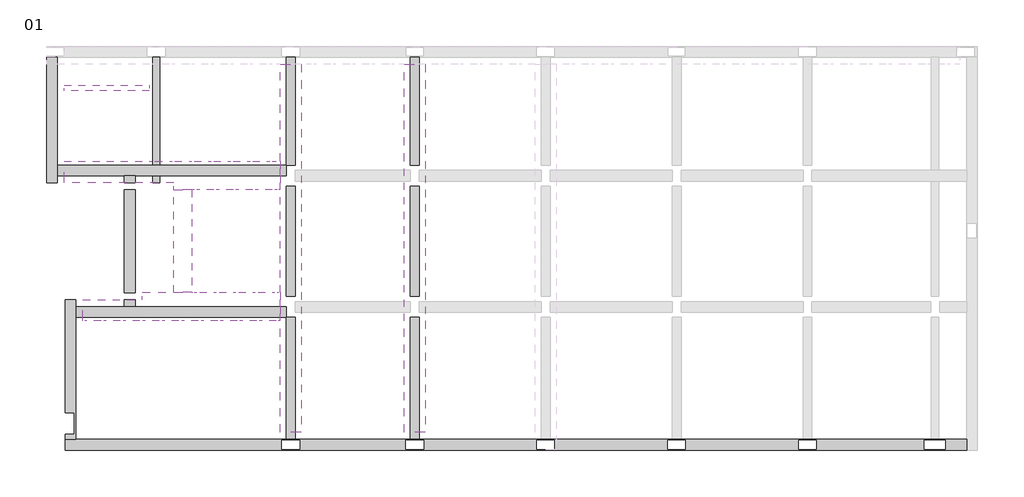
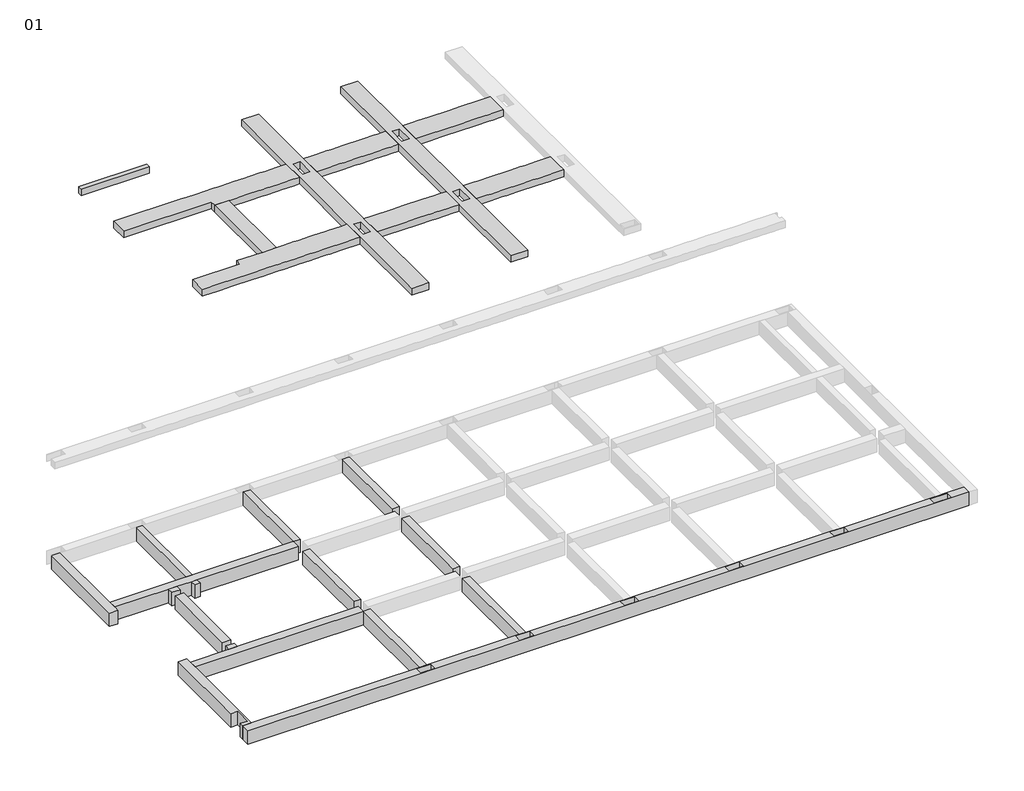
# One storey, part 1 of 2: 15 beams.
"""IFC4 building model written with IfcOpenShell, lengths in millimetres."""

from ifc_helpers import new_model, si_unit, frame, origin, place, context, project, spatial, polyline, outline, extrude, faceted_brep, element, save

model = new_model("IFC4")

# Units and contexts
model_context = context("Model", 3, world=origin())
ifc_project = project(units=[si_unit("LENGTHUNIT", "METRE", prefix="MILLI")], contexts=[model_context])

# Site, building, storey
site = spatial("IfcSite", under=ifc_project)
building = spatial("IfcBuilding", under=site)
storey = spatial("IfcBuildingStorey", under=building, Name="01", Elevation=-150.0)

# Beams
placement = place(None, origin())
element("IfcBeam", 1, ObjectType="B 150 x 250 mm", at=placement, inside=storey, context=model_context, shape_type="SweptSolid", body=[
    extrude(outline(polyline([(250.0, -1096.893934), (250.0, -946.893934), (2650.0, -946.893934), (2650.0, -1096.893934), (250.0, -1096.893934)])), frame((0.0, 0.0, 13700.0), z_axis=(0.0, 0.0, 1.0), x_axis=(1.0, 0.0, 0.0)), (0.0, 0.0, 1.0), 250.0),
])
element("IfcBeam", 2, ObjectType="B1 300 x 500 mm", at=placement, inside=storey, context=model_context, shape_type="Brep", body=[
    faceted_brep([(25750.0000727, -11246.893934, -150.0), (25750.0000727, -10946.893934, -150.0), (24950.0, -10946.893934, -150.0), (24750.0, -10946.893934, -150.0), (21375.0390798, -10946.893934, -150.0), (21125.0390798, -10946.893934, -150.0), (17675.0390798, -10946.893934, -150.0), (17425.0390798, -10946.893934, -150.0), (13975.0390798, -10946.893934, -150.0), (13725.0390798, -10946.893934, -150.0), (10275.0390798, -10946.893934, -150.0), (10025.0390798, -10946.893934, -150.0), (6775.0390798, -10946.893934, -150.0), (6525.0390798, -10946.893934, -150.0), (577.7588387, -10946.893934, -150.0), (277.7588387, -10946.893934, -150.0), (277.7588387, -11246.893934, -150.0), (25146.5, -11220.893934, -150.0), (24546.5, -11220.893934, -150.0), (24546.5, -10970.893934, -150.0), (25146.5, -10970.893934, -150.0), (21500.0390798, -10971.8939341, -150.0), (21500.0390798, -11221.8939341, -150.0), (21000.0390798, -11221.8939341, -150.0), (21000.0390798, -10971.8939341, -150.0), (17800.0390798, -10971.8939341, -150.0), (17800.0390798, -11221.8939341, -150.0), (17300.0390798, -11221.8939341, -150.0), (17300.0390798, -10971.8939341, -150.0), (14100.0390798, -10971.8939341, -150.0), (14100.0390798, -11221.8939341, -150.0), (13600.0390798, -11221.8939341, -150.0), (13600.0390798, -10971.8939341, -150.0), (10400.0390798, -10971.8939341, -150.0), (10400.0390798, -11221.8939341, -150.0), (9900.0390798, -11221.8939341, -150.0), (9900.0390798, -10971.8939341, -150.0), (6900.0390798, -10971.8939341, -150.0), (6900.0390798, -11221.8939341, -150.0), (6400.0390798, -11221.8939341, -150.0), (6400.0390798, -10971.8939341, -150.0), (25750.0000727, -10946.893934, -650.0), (24950.0, -10946.893934, -650.0), (24750.0, -10946.893934, -650.0), (21375.0390798, -10946.893934, -650.0), (21125.0390798, -10946.893934, -650.0), (17675.0390798, -10946.893934, -650.0), (17425.0390798, -10946.893934, -650.0), (13975.0390798, -10946.893934, -650.0), (13725.0390798, -10946.893934, -650.0), (10275.0390798, -10946.893934, -650.0), (10025.0390798, -10946.893934, -650.0), (6775.0390798, -10946.893934, -650.0), (6525.0390798, -10946.893934, -650.0), (577.7588387, -10946.893934, -650.0), (277.7588387, -10946.893934, -650.0), (25750.0000727, -11246.893934, -650.0), (277.7588387, -11246.893934, -650.0), (24546.5, -11220.893934, -650.0), (25146.5, -11220.893934, -650.0), (25146.5, -10970.893934, -650.0), (24546.5, -10970.893934, -650.0), (21500.0390798, -11221.8939341, -650.0), (21500.0390798, -10971.8939341, -650.0), (21000.0390798, -10971.8939341, -650.0), (21000.0390798, -11221.8939341, -650.0), (17800.0390798, -11221.8939341, -650.0), (17800.0390798, -10971.8939341, -650.0), (17300.0390798, -10971.8939341, -650.0), (17300.0390798, -11221.8939341, -650.0), (14100.0390798, -11221.8939341, -650.0), (14100.0390798, -10971.8939341, -650.0), (13600.0390798, -10971.8939341, -650.0), (13600.0390798, -11221.8939341, -650.0), (10400.0390798, -11221.8939341, -650.0), (10400.0390798, -10971.8939341, -650.0), (9900.0390798, -10971.8939341, -650.0), (9900.0390798, -11221.8939341, -650.0), (6900.0390798, -11221.8939341, -650.0), (6900.0390798, -10971.8939341, -650.0), (6400.0390798, -10971.8939341, -650.0), (6400.0390798, -11221.8939341, -650.0)], [[[0, 1, 2, 3, 4, 5, 6, 7, 8, 9, 10, 11, 12, 13, 14, 15, 16], [17, 18, 19, 20], [21, 22, 23, 24], [25, 26, 27, 28], [29, 30, 31, 32], [33, 34, 35, 36], [37, 38, 39, 40]], [[1, 41, 42, 43, 44, 45, 46, 47, 48, 49, 50, 51, 52, 53, 54, 55, 15, 14, 13, 12, 11, 10, 9, 8, 7, 6, 5, 4, 3, 2]], [[41, 56, 57, 55, 54, 53, 52, 51, 50, 49, 48, 47, 46, 45, 44, 43, 42], [58, 59, 60, 61], [62, 63, 64, 65], [66, 67, 68, 69], [70, 71, 72, 73], [74, 75, 76, 77], [78, 79, 80, 81]], [[56, 0, 16, 57]], [[17, 59, 58, 18]], [[59, 17, 20, 60]], [[60, 20, 19, 61]], [[1, 0, 56, 41]], [[18, 58, 61, 19]], [[62, 22, 21, 63]], [[63, 21, 24, 64]], [[22, 62, 65, 23]], [[23, 65, 64, 24]], [[66, 26, 25, 67]], [[67, 25, 28, 68]], [[26, 66, 69, 27]], [[27, 69, 68, 28]], [[70, 30, 29, 71]], [[71, 29, 32, 72]], [[30, 70, 73, 31]], [[31, 73, 72, 32]], [[74, 34, 33, 75]], [[75, 33, 36, 76]], [[34, 74, 77, 35]], [[35, 77, 76, 36]], [[78, 38, 37, 79]], [[79, 37, 40, 80]], [[38, 78, 81, 39]], [[39, 81, 80, 40]], [[16, 15, 55, 57]]]),
])
element("IfcBeam", 3, ObjectType="B1 300 x 500 mm", at=placement, inside=storey, context=model_context, shape_type="Brep", body=[
    faceted_brep([(527.7588387, -10796.893934, -150.0), (277.7588387, -10796.893934, -150.0), (277.7588387, -10946.893934, -150.0), (577.7588387, -10946.893934, -150.0), (577.7588387, -7496.8939341, -150.0), (577.7588387, -7196.8939341, -150.0), (577.7588387, -6996.8939341, -150.0), (277.7588387, -6996.8939341, -150.0), (277.7588387, -10196.893934, -150.0), (527.7588387, -10196.893934, -150.0), (577.7588387, -10946.893934, -650.0), (577.7588387, -7496.8939341, -650.0), (577.7588387, -7196.8939341, -650.0), (577.7588387, -6996.8939341, -650.0), (277.7588387, -10796.893934, -650.0), (527.7588387, -10796.893934, -650.0), (527.7588387, -10196.893934, -650.0), (277.7588387, -10196.893934, -650.0), (277.7588387, -6996.8939341, -650.0), (277.7588387, -10946.893934, -650.0)], [[[0, 1, 2, 3, 4, 5, 6, 7, 8, 9]], [[3, 10, 11, 12, 13, 6, 5, 4]], [[14, 15, 16, 17, 18, 13, 12, 11, 10, 19]], [[17, 8, 7, 18]], [[0, 15, 14, 1]], [[15, 0, 9, 16]], [[3, 2, 19, 10]], [[16, 9, 8, 17]], [[1, 14, 19, 2]], [[7, 6, 13, 18]]]),
])
element("IfcBeam", 4, ObjectType="B1 300 x 500 mm", at=placement, inside=storey, context=model_context, shape_type="Brep", body=[
    faceted_brep([(577.7588387, -7496.8939341, -150.0), (577.7588387, -7196.8939341, -150.0), (577.7588387, -7196.8939341, -650.0), (577.7588387, -7496.8939341, -650.0), (6525.0390798, -7496.8939341, -150.0), (6525.0390798, -7196.8939341, -150.0), (2250.0, -7196.8939341, -150.0), (1950.0, -7196.8939341, -150.0), (6525.0390798, -7196.8939341, -650.0), (2250.0, -7196.8939341, -650.0), (1950.0, -7196.8939341, -650.0), (6525.0390798, -7496.8939341, -650.0)], [[[0, 1, 2, 3]], [[1, 0, 4, 5, 6, 7]], [[2, 1, 7, 6, 5, 8, 9, 10]], [[3, 2, 10, 9, 8, 11]], [[0, 3, 11, 4]], [[4, 11, 8, 5]]]),
])
element("IfcBeam", 5, ObjectType="B1 300 x 500 mm", at=placement, inside=storey, context=model_context, shape_type="Brep", body=[
    faceted_brep([(6525.0390798, -3496.893934, -150.0), (6525.0390798, -3196.893934, -150.0), (2953.7850434, -3196.893934, -150.0), (2753.7850434, -3196.893934, -150.0), (50.0, -3196.893934, -150.0), (50.0, -3496.893934, -150.0), (1950.0, -3496.893934, -150.0), (2250.0, -3496.893934, -150.0), (2753.7850434, -3496.893934, -150.0), (2953.7850434, -3496.893934, -150.0), (6525.0390798, -3196.893934, -650.0), (2953.7850434, -3196.893934, -650.0), (2753.7850434, -3196.893934, -650.0), (50.0, -3196.893934, -650.0), (6525.0390798, -3496.893934, -650.0), (2953.7850434, -3496.893934, -650.0), (2753.7850434, -3496.893934, -650.0), (2250.0, -3496.893934, -650.0), (1950.0, -3496.893934, -650.0), (50.0, -3496.893934, -650.0)], [[[0, 1, 2, 3, 4, 5, 6, 7, 8, 9]], [[1, 10, 11, 12, 13, 4, 3, 2]], [[10, 14, 15, 16, 17, 18, 19, 13, 12, 11]], [[14, 0, 9, 8, 7, 6, 5, 19, 18, 17, 16, 15]], [[0, 14, 10, 1]], [[5, 4, 13, 19]]]),
])
element("IfcBeam", 6, ObjectType="B1 300 x 500 mm", at=placement, inside=storey, context=model_context, shape_type="Brep", body=[
    faceted_brep([(50.0, -146.893934, -150.0), (-250.0, -146.893934, -150.0), (-250.0, -3696.893934, -150.0), (50.0, -3696.893934, -150.0), (50.0, -3496.893934, -150.0), (50.0, -3196.893934, -150.0), (50.0, -146.893934, -650.0), (50.0, -3696.893934, -650.0), (50.0, -3496.893934, -650.0), (50.0, -3196.893934, -650.0), (-250.0, -146.893934, -650.0), (-250.0, -3696.893934, -650.0)], [[[0, 1, 2, 3, 4, 5]], [[6, 0, 5, 4, 3, 7, 8, 9]], [[10, 6, 9, 8, 7, 11]], [[1, 10, 11, 2]], [[1, 0, 6, 10]], [[3, 2, 11, 7]]]),
])
element("IfcBeam", 7, ObjectType="B1 300 x 500 mm", at=placement, inside=storey, context=model_context, shape_type="SweptSolid", body=[
    extrude(outline(polyline([(2250.0, -7196.8939341), (1950.0, -7196.8939341), (1950.0, -6996.8939341), (2250.0, -6996.8939341), (2250.0, -7196.8939341)])), frame((0.0, 0.0, -650.0), z_axis=(0.0, 0.0, 1.0), x_axis=(1.0, 0.0, 0.0)), (0.0, 0.0, 1.0), 500.0),
    extrude(outline(polyline([(2250.0, -3696.893934), (1950.0, -3696.893934), (1950.0, -3496.893934), (2250.0, -3496.893934), (2250.0, -3696.893934)])), frame((0.0, 0.0, -650.0), z_axis=(0.0, 0.0, 1.0), x_axis=(1.0, 0.0, 0.0)), (0.0, 0.0, 1.0), 500.0),
    extrude(outline(polyline([(1950.0, -3896.893934), (2250.0, -3896.893934), (2250.0, -6796.8939341), (1950.0, -6796.8939341), (1950.0, -3896.893934)])), frame((0.0, 0.0, -650.0), z_axis=(0.0, 0.0, 1.0), x_axis=(1.0, 0.0, 0.0)), (0.0, 0.0, 1.0), 500.0),
])
element("IfcBeam", 8, ObjectType="B2 250 x 500 mm", at=placement, inside=storey, context=model_context, shape_type="SweptSolid", body=[
    extrude(outline(polyline([(10275.0390798, -3195.451857), (10025.0390798, -3195.451857), (10025.0390798, -146.893934), (10275.0390798, -146.893934), (10275.0390798, -3195.451857)])), frame((0.0, 0.0, -650.0), z_axis=(0.0, 0.0, 1.0), x_axis=(1.0, 0.0, 0.0)), (0.0, 0.0, 1.0), 500.0),
    extrude(outline(polyline([(10275.0390798, -10946.8939341), (10025.0390798, -10946.8939341), (10025.0390798, -7496.8939341), (10275.0390798, -7496.8939341), (10275.0390798, -10946.8939341)])), frame((0.0, 0.0, -650.0), z_axis=(0.0, 0.0, 1.0), x_axis=(1.0, 0.0, 0.0)), (0.0, 0.0, 1.0), 500.0),
    extrude(outline(polyline([(10275.0390798, -6896.8939341), (10025.0390798, -6896.8939341), (10025.0390798, -3795.451857), (10275.0390798, -3795.451857), (10275.0390798, -6896.8939341)])), frame((0.0, 0.0, -650.0), z_axis=(0.0, 0.0, 1.0), x_axis=(1.0, 0.0, 0.0)), (0.0, 0.0, 1.0), 500.0),
])
element("IfcBeam", 9, ObjectType="B2 250 x 500 mm", at=placement, inside=storey, context=model_context, shape_type="SweptSolid", body=[
    extrude(outline(polyline([(6525.0390798, -146.893934), (6775.0390798, -146.893934), (6775.0390798, -3196.893934), (6525.0390798, -3196.893934), (6525.0390798, -146.893934)])), frame((0.0, 0.0, -650.0), z_axis=(0.0, 0.0, 1.0), x_axis=(1.0, 0.0, 0.0)), (0.0, 0.0, 1.0), 500.0),
    extrude(outline(polyline([(6775.0390798, -10946.893934), (6525.0390798, -10946.893934), (6525.0390798, -7496.8939341), (6775.0390798, -7496.8939341), (6775.0390798, -10946.893934)])), frame((0.0, 0.0, -650.0), z_axis=(0.0, 0.0, 1.0), x_axis=(1.0, 0.0, 0.0)), (0.0, 0.0, 1.0), 500.0),
    extrude(outline(polyline([(6525.0390798, -3796.893934), (6775.0390798, -3796.893934), (6775.0390798, -6896.8939341), (6525.0390798, -6896.8939341), (6525.0390798, -3796.893934)])), frame((0.0, 0.0, -650.0), z_axis=(0.0, 0.0, 1.0), x_axis=(1.0, 0.0, 0.0)), (0.0, 0.0, 1.0), 500.0),
])
element("IfcBeam", 10, ObjectType="B3 200 x 500 mm 2", at=placement, inside=storey, context=model_context, shape_type="SweptSolid", body=[
    extrude(outline(polyline([(2753.7850434, -146.893934), (2953.7850434, -146.893934), (2953.7850434, -3196.893934), (2753.7850434, -3196.893934), (2753.7850434, -146.893934)])), frame((0.0, 0.0, -650.0), z_axis=(0.0, 0.0, 1.0), x_axis=(1.0, 0.0, 0.0)), (0.0, 0.0, 1.0), 500.0),
    extrude(outline(polyline([(2753.7850434, -3496.893934), (2953.7850434, -3496.893934), (2953.7850434, -3696.893934), (2753.7850434, -3696.893934), (2753.7850434, -3496.893934)])), frame((0.0, 0.0, -650.0), z_axis=(0.0, 0.0, 1.0), x_axis=(1.0, 0.0, 0.0)), (0.0, 0.0, 1.0), 500.0),
])
element("IfcBeam", 11, ObjectType="B4 800 x 250 mm", at=placement, inside=storey, context=model_context, shape_type="Brep", body=[
    faceted_brep([(13550.0390798, -3895.451857, 13950.0), (13550.0390798, -3895.451857, 13700.0), (13550.0390798, -3095.451857, 13700.0), (13550.0390798, -3095.451857, 13950.0), (10450.0390798, -3895.451857, 13950.0), (10450.0390798, -3095.451857, 13950.0), (10450.0390798, -3095.451857, 13700.0), (10450.0390798, -3895.451857, 13700.0), (13175.0390798, -3095.451857, 13950.0), (13025.0390798, -3095.451857, 13950.0), (12625.0390798, -3095.451857, 13950.0), (12475.0390798, -3095.451857, 13950.0), (12075.0390798, -3095.451857, 13950.0), (11925.0390798, -3095.451857, 13950.0), (11525.0390798, -3095.451857, 13950.0), (11375.0390798, -3095.451857, 13950.0), (10975.0390798, -3095.451857, 13950.0), (10825.0390798, -3095.451857, 13950.0), (10825.0390798, -3895.451857, 13950.0), (10975.0390798, -3895.451857, 13950.0), (11375.0390798, -3895.451857, 13950.0), (11525.0390798, -3895.451857, 13950.0), (11925.0390798, -3895.451857, 13950.0), (12075.0390798, -3895.451857, 13950.0), (12475.0390798, -3895.451857, 13950.0), (12625.0390798, -3895.451857, 13950.0), (13025.0390798, -3895.451857, 13950.0), (13175.0390798, -3895.451857, 13950.0), (13175.0390798, -3095.451857, 13700.0), (13025.0390798, -3095.451857, 13700.0), (12625.0390798, -3095.451857, 13700.0), (12475.0390798, -3095.451857, 13700.0), (12075.0390798, -3095.451857, 13700.0), (11925.0390798, -3095.451857, 13700.0), (11525.0390798, -3095.451857, 13700.0), (11375.0390798, -3095.451857, 13700.0), (10975.0390798, -3095.451857, 13700.0), (10825.0390798, -3095.451857, 13700.0), (13175.0390798, -3895.451857, 13700.0), (13025.0390798, -3895.451857, 13700.0), (12625.0390798, -3895.451857, 13700.0), (12475.0390798, -3895.451857, 13700.0), (12075.0390798, -3895.451857, 13700.0), (11925.0390798, -3895.451857, 13700.0), (11525.0390798, -3895.451857, 13700.0), (11375.0390798, -3895.451857, 13700.0), (10975.0390798, -3895.451857, 13700.0), (10825.0390798, -3895.451857, 13700.0)], [[[0, 1, 2, 3]], [[4, 5, 6, 7]], [[0, 3, 8, 9, 10, 11, 12, 13, 14, 15, 16, 17, 5, 4, 18, 19, 20, 21, 22, 23, 24, 25, 26, 27]], [[3, 2, 28, 29, 30, 31, 32, 33, 34, 35, 36, 37, 6, 5, 17, 16, 15, 14, 13, 12, 11, 10, 9, 8]], [[2, 1, 38, 39, 40, 41, 42, 43, 44, 45, 46, 47, 7, 6, 37, 36, 35, 34, 33, 32, 31, 30, 29, 28]], [[1, 0, 27, 26, 25, 24, 23, 22, 21, 20, 19, 18, 4, 7, 47, 46, 45, 44, 43, 42, 41, 40, 39, 38]]]),
    faceted_brep([(6350.0390798, -3895.451857, 13950.0), (6350.0390798, -3095.451857, 13950.0), (6125.0195399, -3095.451857, 13950.0), (5975.0195399, -3095.451857, 13950.0), (5575.0195399, -3095.451857, 13950.0), (5425.0195399, -3095.451857, 13950.0), (5025.0195399, -3095.451857, 13950.0), (4875.0195399, -3095.451857, 13950.0), (4475.0195399, -3095.451857, 13950.0), (4325.0195399, -3095.451857, 13950.0), (3925.0195399, -3095.451857, 13950.0), (3775.0195399, -3095.451857, 13950.0), (3375.0195399, -3095.451857, 13950.0), (3225.0195399, -3095.451857, 13950.0), (2800.0, -3095.451857, 13950.0), (2650.0, -3095.451857, 13950.0), (250.0, -3095.451857, 13950.0), (250.0, -3696.893934, 13950.0), (3348.0333149, -3696.893934, 13950.0), (3350.0, -3696.893934, 13950.0), (3350.0, -3895.451857, 13950.0), (3848.0333149, -3895.451857, 13950.0), (3924.0361974, -3895.451857, 13950.0), (4074.0361974, -3895.451857, 13950.0), (4474.0361974, -3895.451857, 13950.0), (4624.0361974, -3895.451857, 13950.0), (5024.0361974, -3895.451857, 13950.0), (5174.0361974, -3895.451857, 13950.0), (5574.0361974, -3895.451857, 13950.0), (5724.0361974, -3895.451857, 13950.0), (6124.0361974, -3895.451857, 13950.0), (6274.0361974, -3895.451857, 13950.0), (6350.0390798, -3095.451857, 13700.0), (6125.0195399, -3095.451857, 13700.0), (5975.0195399, -3095.451857, 13700.0), (5575.0195399, -3095.451857, 13700.0), (5425.0195399, -3095.451857, 13700.0), (5025.0195399, -3095.451857, 13700.0), (4875.0195399, -3095.451857, 13700.0), (4475.0195399, -3095.451857, 13700.0), (4325.0195399, -3095.451857, 13700.0), (3925.0195399, -3095.451857, 13700.0), (3775.0195399, -3095.451857, 13700.0), (3375.0195399, -3095.451857, 13700.0), (3225.0195399, -3095.451857, 13700.0), (2800.0, -3095.451857, 13700.0), (2650.0, -3095.451857, 13700.0), (250.0, -3095.451857, 13700.0), (6350.0390798, -3895.451857, 13700.0), (6274.0361974, -3895.451857, 13700.0), (6124.0361974, -3895.451857, 13700.0), (5724.0361974, -3895.451857, 13700.0), (5574.0361974, -3895.451857, 13700.0), (5174.0361974, -3895.451857, 13700.0), (5024.0361974, -3895.451857, 13700.0), (4624.0361974, -3895.451857, 13700.0), (4474.0361974, -3895.451857, 13700.0), (4074.0361974, -3895.451857, 13700.0), (3924.0361974, -3895.451857, 13700.0), (3848.0333149, -3895.451857, 13700.0), (3350.0, -3895.451857, 13700.0), (3350.0, -3696.893934, 13700.0), (250.0, -3696.893934, 13700.0)], [[[0, 1, 2, 3, 4, 5, 6, 7, 8, 9, 10, 11, 12, 13, 14, 15, 16, 17, 18, 19, 20, 21, 22, 23, 24, 25, 26, 27, 28, 29, 30, 31]], [[1, 32, 33, 34, 35, 36, 37, 38, 39, 40, 41, 42, 43, 44, 45, 46, 47, 16, 15, 14, 13, 12, 11, 10, 9, 8, 7, 6, 5, 4, 3, 2]], [[32, 48, 49, 50, 51, 52, 53, 54, 55, 56, 57, 58, 59, 60, 61, 62, 47, 46, 45, 44, 43, 42, 41, 40, 39, 38, 37, 36, 35, 34, 33]], [[48, 0, 31, 30, 29, 28, 27, 26, 25, 24, 23, 22, 21, 20, 60, 59, 58, 57, 56, 55, 54, 53, 52, 51, 50, 49]], [[1, 0, 48, 32]], [[61, 19, 18, 17, 62]], [[19, 61, 60, 20]], [[17, 16, 47, 62]]]),
    faceted_brep([(9850.0390798, -3095.451857, 13950.0), (9850.0390798, -3895.451857, 13950.0), (9850.0390798, -3895.451857, 13700.0), (9850.0390798, -3095.451857, 13700.0), (6950.0390798, -3895.451857, 13950.0), (6950.0390798, -3095.451857, 13950.0), (6950.0390798, -3095.451857, 13700.0), (6950.0390798, -3895.451857, 13700.0), (9575.0390798, -3095.451857, 13950.0), (9425.0390798, -3095.451857, 13950.0), (9025.0390798, -3095.451857, 13950.0), (8875.0390798, -3095.451857, 13950.0), (8475.0390798, -3095.451857, 13950.0), (8325.0390798, -3095.451857, 13950.0), (7925.0390798, -3095.451857, 13950.0), (7775.0390798, -3095.451857, 13950.0), (7375.0390798, -3095.451857, 13950.0), (7225.0390798, -3095.451857, 13950.0), (7225.0390798, -3895.451857, 13950.0), (7375.0390798, -3895.451857, 13950.0), (7775.0390798, -3895.451857, 13950.0), (7925.0390798, -3895.451857, 13950.0), (8325.0390798, -3895.451857, 13950.0), (8475.0390798, -3895.451857, 13950.0), (8875.0390798, -3895.451857, 13950.0), (9025.0390798, -3895.451857, 13950.0), (9425.0390798, -3895.451857, 13950.0), (9575.0390798, -3895.451857, 13950.0), (9575.0390798, -3095.451857, 13700.0), (9425.0390798, -3095.451857, 13700.0), (9025.0390798, -3095.451857, 13700.0), (8875.0390798, -3095.451857, 13700.0), (8475.0390798, -3095.451857, 13700.0), (8325.0390798, -3095.451857, 13700.0), (7925.0390798, -3095.451857, 13700.0), (7775.0390798, -3095.451857, 13700.0), (7375.0390798, -3095.451857, 13700.0), (7225.0390798, -3095.451857, 13700.0), (9575.0390798, -3895.451857, 13700.0), (9425.0390798, -3895.451857, 13700.0), (9025.0390798, -3895.451857, 13700.0), (8875.0390798, -3895.451857, 13700.0), (8475.0390798, -3895.451857, 13700.0), (8325.0390798, -3895.451857, 13700.0), (7925.0390798, -3895.451857, 13700.0), (7775.0390798, -3895.451857, 13700.0), (7375.0390798, -3895.451857, 13700.0), (7225.0390798, -3895.451857, 13700.0)], [[[0, 1, 2, 3]], [[4, 5, 6, 7]], [[1, 0, 8, 9, 10, 11, 12, 13, 14, 15, 16, 17, 5, 4, 18, 19, 20, 21, 22, 23, 24, 25, 26, 27]], [[0, 3, 28, 29, 30, 31, 32, 33, 34, 35, 36, 37, 6, 5, 17, 16, 15, 14, 13, 12, 11, 10, 9, 8]], [[3, 2, 38, 39, 40, 41, 42, 43, 44, 45, 46, 47, 7, 6, 37, 36, 35, 34, 33, 32, 31, 30, 29, 28]], [[2, 1, 27, 26, 25, 24, 23, 22, 21, 20, 19, 18, 4, 7, 47, 46, 45, 44, 43, 42, 41, 40, 39, 38]]]),
])
element("IfcBeam", 12, ObjectType="B4 800 x 250 mm", at=placement, inside=storey, context=model_context, shape_type="Brep", body=[
    faceted_brep([(13550.0390798, -7596.8939341, 13950.0), (13550.0390798, -7596.8939341, 13700.0), (13550.0390798, -6796.8939341, 13700.0), (13550.0390798, -6796.8939341, 13950.0), (10450.0390798, -7596.8939341, 13950.0), (10450.0390798, -6796.8939341, 13950.0), (10450.0390798, -6796.8939341, 13700.0), (10450.0390798, -7596.8939341, 13700.0), (13175.0390798, -6796.8939341, 13950.0), (13025.0390798, -6796.8939341, 13950.0), (12625.0390798, -6796.8939341, 13950.0), (12475.0390798, -6796.8939341, 13950.0), (12075.0390798, -6796.8939341, 13950.0), (11925.0390798, -6796.8939341, 13950.0), (11525.0390798, -6796.8939341, 13950.0), (11375.0390798, -6796.8939341, 13950.0), (10975.0390798, -6796.8939341, 13950.0), (10825.0390798, -6796.8939341, 13950.0), (10825.0390798, -7596.8939341, 13950.0), (10975.0390798, -7596.8939341, 13950.0), (11375.0390798, -7596.8939341, 13950.0), (11525.0390798, -7596.8939341, 13950.0), (11925.0390798, -7596.8939341, 13950.0), (12075.0390798, -7596.8939341, 13950.0), (12475.0390798, -7596.8939341, 13950.0), (12625.0390798, -7596.8939341, 13950.0), (13025.0390798, -7596.8939341, 13950.0), (13175.0390798, -7596.8939341, 13950.0), (13175.0390798, -6796.8939341, 13700.0), (13025.0390798, -6796.8939341, 13700.0), (12625.0390798, -6796.8939341, 13700.0), (12475.0390798, -6796.8939341, 13700.0), (12075.0390798, -6796.8939341, 13700.0), (11925.0390798, -6796.8939341, 13700.0), (11525.0390798, -6796.8939341, 13700.0), (11375.0390798, -6796.8939341, 13700.0), (10975.0390798, -6796.8939341, 13700.0), (10825.0390798, -6796.8939341, 13700.0), (13175.0390798, -7596.8939341, 13700.0), (13025.0390798, -7596.8939341, 13700.0), (12625.0390798, -7596.8939341, 13700.0), (12475.0390798, -7596.8939341, 13700.0), (12075.0390798, -7596.8939341, 13700.0), (11925.0390798, -7596.8939341, 13700.0), (11525.0390798, -7596.8939341, 13700.0), (11375.0390798, -7596.8939341, 13700.0), (10975.0390798, -7596.8939341, 13700.0), (10825.0390798, -7596.8939341, 13700.0)], [[[0, 1, 2, 3]], [[4, 5, 6, 7]], [[0, 3, 8, 9, 10, 11, 12, 13, 14, 15, 16, 17, 5, 4, 18, 19, 20, 21, 22, 23, 24, 25, 26, 27]], [[3, 2, 28, 29, 30, 31, 32, 33, 34, 35, 36, 37, 6, 5, 17, 16, 15, 14, 13, 12, 11, 10, 9, 8]], [[2, 1, 38, 39, 40, 41, 42, 43, 44, 45, 46, 47, 7, 6, 37, 36, 35, 34, 33, 32, 31, 30, 29, 28]], [[1, 0, 27, 26, 25, 24, 23, 22, 21, 20, 19, 18, 4, 7, 47, 46, 45, 44, 43, 42, 41, 40, 39, 38]]]),
    faceted_brep([(777.7588387, -7596.8939341, 13950.0), (888.8989593, -7596.8939341, 13950.0), (1288.8989593, -7596.8939341, 13950.0), (1438.8989593, -7596.8939341, 13950.0), (1838.8989593, -7596.8939341, 13950.0), (1988.8989593, -7596.8939341, 13950.0), (2388.8989593, -7596.8939341, 13950.0), (2538.8989593, -7596.8939341, 13950.0), (2938.8989593, -7596.8939341, 13950.0), (3088.8989593, -7596.8939341, 13950.0), (3488.8989593, -7596.8939341, 13950.0), (3638.8989593, -7596.8939341, 13950.0), (4038.8989593, -7596.8939341, 13950.0), (4188.8989593, -7596.8939341, 13950.0), (4588.8989593, -7596.8939341, 13950.0), (4738.8989593, -7596.8939341, 13950.0), (5138.8989593, -7596.8939341, 13950.0), (5288.8989593, -7596.8939341, 13950.0), (5688.8989593, -7596.8939341, 13950.0), (5838.8989593, -7596.8939341, 13950.0), (6238.8989593, -7596.8939341, 13950.0), (6350.0390798, -7596.8939341, 13950.0), (6350.0390798, -6796.8939341, 13950.0), (6274.0361974, -6796.8939341, 13950.0), (6124.0361974, -6796.8939341, 13950.0), (5724.0361974, -6796.8939341, 13950.0), (5574.0361974, -6796.8939341, 13950.0), (5174.0361974, -6796.8939341, 13950.0), (5024.0361974, -6796.8939341, 13950.0), (4624.0361974, -6796.8939341, 13950.0), (4474.0361974, -6796.8939341, 13950.0), (4074.0361974, -6796.8939341, 13950.0), (3924.0361974, -6796.8939341, 13950.0), (3848.0333149, -6796.8939341, 13950.0), (3348.0333149, -6796.8939341, 13950.0), (2450.0, -6796.8939341, 13950.0), (2450.0, -6996.8939341, 13950.0), (777.7588387, -6996.8939341, 13950.0), (6350.0390798, -6796.8939341, 13700.0), (6274.0361974, -6796.8939341, 13700.0), (6124.0361974, -6796.8939341, 13700.0), (5724.0361974, -6796.8939341, 13700.0), (5574.0361974, -6796.8939341, 13700.0), (5174.0361974, -6796.8939341, 13700.0), (5024.0361974, -6796.8939341, 13700.0), (4624.0361974, -6796.8939341, 13700.0), (4474.0361974, -6796.8939341, 13700.0), (4074.0361974, -6796.8939341, 13700.0), (3924.0361974, -6796.8939341, 13700.0), (3848.0333149, -6796.8939341, 13700.0), (3348.0333149, -6796.8939341, 13700.0), (2450.0, -6796.8939341, 13700.0), (6350.0390798, -7596.8939341, 13700.0), (6238.8989593, -7596.8939341, 13700.0), (5838.8989593, -7596.8939341, 13700.0), (5688.8989593, -7596.8939341, 13700.0), (5288.8989593, -7596.8939341, 13700.0), (5138.8989593, -7596.8939341, 13700.0), (4738.8989593, -7596.8939341, 13700.0), (4588.8989593, -7596.8939341, 13700.0), (4188.8989593, -7596.8939341, 13700.0), (4038.8989593, -7596.8939341, 13700.0), (3638.8989593, -7596.8939341, 13700.0), (3488.8989593, -7596.8939341, 13700.0), (3088.8989593, -7596.8939341, 13700.0), (2938.8989593, -7596.8939341, 13700.0), (2538.8989593, -7596.8939341, 13700.0), (2388.8989593, -7596.8939341, 13700.0), (1988.8989593, -7596.8939341, 13700.0), (1838.8989593, -7596.8939341, 13700.0), (1438.8989593, -7596.8939341, 13700.0), (1288.8989593, -7596.8939341, 13700.0), (888.8989593, -7596.8939341, 13700.0), (777.7588387, -7596.8939341, 13700.0), (777.7588387, -6996.8939341, 13700.0), (2450.0, -6996.8939341, 13700.0)], [[[0, 1, 2, 3, 4, 5, 6, 7, 8, 9, 10, 11, 12, 13, 14, 15, 16, 17, 18, 19, 20, 21, 22, 23, 24, 25, 26, 27, 28, 29, 30, 31, 32, 33, 34, 35, 36, 37]], [[22, 38, 39, 40, 41, 42, 43, 44, 45, 46, 47, 48, 49, 50, 51, 35, 34, 33, 32, 31, 30, 29, 28, 27, 26, 25, 24, 23]], [[52, 53, 54, 55, 56, 57, 58, 59, 60, 61, 62, 63, 64, 65, 66, 67, 68, 69, 70, 71, 72, 73, 74, 75, 51, 50, 49, 48, 47, 46, 45, 44, 43, 42, 41, 40, 39, 38]], [[0, 73, 72, 71, 70, 69, 68, 67, 66, 65, 64, 63, 62, 61, 60, 59, 58, 57, 56, 55, 54, 53, 52, 21, 20, 19, 18, 17, 16, 15, 14, 13, 12, 11, 10, 9, 8, 7, 6, 5, 4, 3, 2, 1]], [[73, 0, 37, 74]], [[22, 21, 52, 38]], [[36, 75, 74, 37]], [[75, 36, 35, 51]]]),
    faceted_brep([(9850.0390798, -6796.8939341, 13950.0), (9850.0390798, -7596.8939341, 13950.0), (9850.0390798, -7596.8939341, 13700.0), (9850.0390798, -6796.8939341, 13700.0), (6950.0390798, -7596.8939341, 13950.0), (6950.0390798, -6796.8939341, 13950.0), (6950.0390798, -6796.8939341, 13700.0), (6950.0390798, -7596.8939341, 13700.0), (9575.0390798, -6796.8939341, 13950.0), (9425.0390798, -6796.8939341, 13950.0), (9025.0390798, -6796.8939341, 13950.0), (8875.0390798, -6796.8939341, 13950.0), (8475.0390798, -6796.8939341, 13950.0), (8325.0390798, -6796.8939341, 13950.0), (7925.0390798, -6796.8939341, 13950.0), (7775.0390798, -6796.8939341, 13950.0), (7375.0390798, -6796.8939341, 13950.0), (7225.0390798, -6796.8939341, 13950.0), (7225.0390798, -7596.8939341, 13950.0), (7375.0390798, -7596.8939341, 13950.0), (7775.0390798, -7596.8939341, 13950.0), (7925.0390798, -7596.8939341, 13950.0), (8325.0390798, -7596.8939341, 13950.0), (8475.0390798, -7596.8939341, 13950.0), (8875.0390798, -7596.8939341, 13950.0), (9025.0390798, -7596.8939341, 13950.0), (9425.0390798, -7596.8939341, 13950.0), (9575.0390798, -7596.8939341, 13950.0), (9575.0390798, -6796.8939341, 13700.0), (9425.0390798, -6796.8939341, 13700.0), (9025.0390798, -6796.8939341, 13700.0), (8875.0390798, -6796.8939341, 13700.0), (8475.0390798, -6796.8939341, 13700.0), (8325.0390798, -6796.8939341, 13700.0), (7925.0390798, -6796.8939341, 13700.0), (7775.0390798, -6796.8939341, 13700.0), (7375.0390798, -6796.8939341, 13700.0), (7225.0390798, -6796.8939341, 13700.0), (9575.0390798, -7596.8939341, 13700.0), (9425.0390798, -7596.8939341, 13700.0), (9025.0390798, -7596.8939341, 13700.0), (8875.0390798, -7596.8939341, 13700.0), (8475.0390798, -7596.8939341, 13700.0), (8325.0390798, -7596.8939341, 13700.0), (7925.0390798, -7596.8939341, 13700.0), (7775.0390798, -7596.8939341, 13700.0), (7375.0390798, -7596.8939341, 13700.0), (7225.0390798, -7596.8939341, 13700.0)], [[[0, 1, 2, 3]], [[4, 5, 6, 7]], [[1, 0, 8, 9, 10, 11, 12, 13, 14, 15, 16, 17, 5, 4, 18, 19, 20, 21, 22, 23, 24, 25, 26, 27]], [[0, 3, 28, 29, 30, 31, 32, 33, 34, 35, 36, 37, 6, 5, 17, 16, 15, 14, 13, 12, 11, 10, 9, 8]], [[3, 2, 38, 39, 40, 41, 42, 43, 44, 45, 46, 47, 7, 6, 37, 36, 35, 34, 33, 32, 31, 30, 29, 28]], [[2, 1, 27, 26, 25, 24, 23, 22, 21, 20, 19, 18, 4, 7, 47, 46, 45, 44, 43, 42, 41, 40, 39, 38]]]),
])
element("IfcBeam", 13, ObjectType="B5 500 x 250 mm", at=placement, inside=storey, context=model_context, shape_type="SweptSolid", body=[
    extrude(outline(polyline([(3348.0333149, -3896.893934), (3350.0, -3896.893934), (3350.0, -3895.451857), (3848.0333149, -3895.451857), (3848.0333149, -6796.8939341), (3348.0333149, -6796.8939341), (3348.0333149, -3896.893934)])), frame((0.0, 0.0, 13700.0), z_axis=(0.0, 0.0, 1.0), x_axis=(1.0, 0.0, 0.0)), (0.0, 0.0, 1.0), 250.0),
])
element("IfcBeam", 14, ObjectType="B6 600 x 250 mm", at=placement, inside=storey, context=model_context, shape_type="Brep", body=[
    faceted_brep([(9850.0390798, -346.893934, 13950.0), (10450.0390798, -346.893934, 13950.0), (10450.0390798, -346.893934, 13700.0), (9850.0390798, -346.893934, 13700.0), (9850.0390798, -3095.451857, 13950.0), (9850.0390798, -3895.451857, 13950.0), (9850.0390798, -6796.8939341, 13950.0), (9850.0390798, -7596.8939341, 13950.0), (9850.0390798, -10746.893934, 13950.0), (10450.0390798, -10746.893934, 13950.0), (10450.0390798, -7596.8939341, 13950.0), (10450.0390798, -6796.8939341, 13950.0), (10450.0390798, -3895.451857, 13950.0), (10450.0390798, -3095.451857, 13950.0), (10025.0390798, -7496.8939341, 13950.0), (10025.0390798, -6896.8939341, 13950.0), (10275.0390798, -6896.8939341, 13950.0), (10275.0390798, -7496.8939341, 13950.0), (10025.0390798, -3795.451857, 13950.0), (10025.0390798, -3195.451857, 13950.0), (10275.0390798, -3195.451857, 13950.0), (10275.0390798, -3795.451857, 13950.0), (10450.0390798, -10746.893934, 13700.0), (10450.0390798, -7596.8939341, 13700.0), (10450.0390798, -6796.8939341, 13700.0), (10450.0390798, -3895.451857, 13700.0), (10450.0390798, -3095.451857, 13700.0), (9850.0390798, -10746.893934, 13700.0), (9850.0390798, -7596.8939341, 13700.0), (9850.0390798, -6796.8939341, 13700.0), (9850.0390798, -3895.451857, 13700.0), (9850.0390798, -3095.451857, 13700.0), (10025.0390798, -6896.8939341, 13700.0), (10025.0390798, -7496.8939341, 13700.0), (10275.0390798, -7496.8939341, 13700.0), (10275.0390798, -6896.8939341, 13700.0), (10025.0390798, -3195.451857, 13700.0), (10025.0390798, -3795.451857, 13700.0), (10275.0390798, -3795.451857, 13700.0), (10275.0390798, -3195.451857, 13700.0)], [[[0, 1, 2, 3]], [[1, 0, 4, 5, 6, 7, 8, 9, 10, 11, 12, 13], [14, 15, 16, 17], [18, 19, 20, 21]], [[2, 1, 13, 12, 11, 10, 9, 22, 23, 24, 25, 26]], [[3, 2, 26, 25, 24, 23, 22, 27, 28, 29, 30, 31], [32, 33, 34, 35], [36, 37, 38, 39]], [[0, 3, 31, 30, 29, 28, 27, 8, 7, 6, 5, 4]], [[9, 8, 27, 22]], [[14, 33, 32, 15]], [[33, 14, 17, 34]], [[34, 17, 16, 35]], [[15, 32, 35, 16]], [[36, 19, 18, 37]], [[37, 18, 21, 38]], [[38, 21, 20, 39]], [[19, 36, 39, 20]]]),
])
element("IfcBeam", 15, ObjectType="B6 600 x 250 mm", at=placement, inside=storey, context=model_context, shape_type="Brep", body=[
    faceted_brep([(6350.0390798, -346.893934, 13950.0), (6950.0390798, -346.893934, 13950.0), (6950.0390798, -346.893934, 13700.0), (6350.0390798, -346.893934, 13700.0), (6350.0390798, -3095.451857, 13950.0), (6350.0390798, -3895.451857, 13950.0), (6350.0390798, -6796.8939341, 13950.0), (6350.0390798, -7596.8939341, 13950.0), (6350.0390798, -10746.893934, 13950.0), (6950.0390798, -10746.893934, 13950.0), (6950.0390798, -7596.8939341, 13950.0), (6950.0390798, -6796.8939341, 13950.0), (6950.0390798, -3895.451857, 13950.0), (6950.0390798, -3095.451857, 13950.0), (6525.0390798, -7496.8939341, 13950.0), (6525.0390798, -6896.8939341, 13950.0), (6775.0390798, -6896.8939341, 13950.0), (6775.0390798, -7496.8939341, 13950.0), (6525.0390798, -3796.893934, 13950.0), (6525.0390798, -3196.893934, 13950.0), (6775.0390798, -3196.893934, 13950.0), (6775.0390798, -3796.893934, 13950.0), (6950.0390798, -10746.893934, 13700.0), (6950.0390798, -7596.8939341, 13700.0), (6950.0390798, -6796.8939341, 13700.0), (6950.0390798, -3895.451857, 13700.0), (6950.0390798, -3095.451857, 13700.0), (6350.0390798, -10746.893934, 13700.0), (6350.0390798, -7596.8939341, 13700.0), (6350.0390798, -6796.8939341, 13700.0), (6350.0390798, -3895.451857, 13700.0), (6350.0390798, -3095.451857, 13700.0), (6525.0390798, -6896.8939341, 13700.0), (6525.0390798, -7496.8939341, 13700.0), (6775.0390798, -7496.8939341, 13700.0), (6775.0390798, -6896.8939341, 13700.0), (6525.0390798, -3196.893934, 13700.0), (6525.0390798, -3796.893934, 13700.0), (6775.0390798, -3796.893934, 13700.0), (6775.0390798, -3196.893934, 13700.0)], [[[0, 1, 2, 3]], [[1, 0, 4, 5, 6, 7, 8, 9, 10, 11, 12, 13], [14, 15, 16, 17], [18, 19, 20, 21]], [[2, 1, 13, 12, 11, 10, 9, 22, 23, 24, 25, 26]], [[3, 2, 26, 25, 24, 23, 22, 27, 28, 29, 30, 31], [32, 33, 34, 35], [36, 37, 38, 39]], [[0, 3, 31, 30, 29, 28, 27, 8, 7, 6, 5, 4]], [[9, 8, 27, 22]], [[14, 33, 32, 15]], [[33, 14, 17, 34]], [[34, 17, 16, 35]], [[15, 32, 35, 16]], [[36, 19, 18, 37]], [[37, 18, 21, 38]], [[38, 21, 20, 39]], [[19, 36, 39, 20]]]),
])

save(model, "model.ifc")
